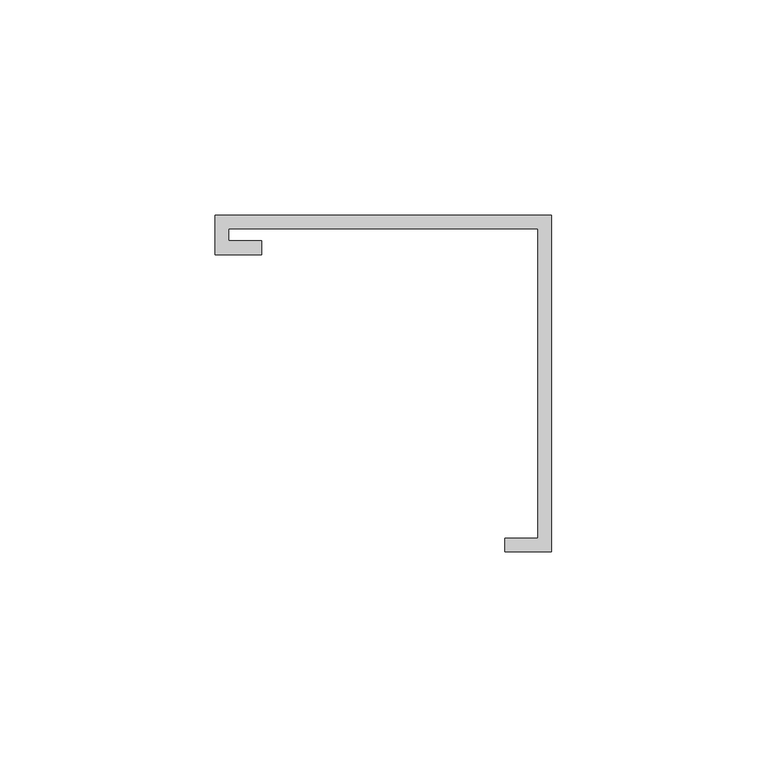
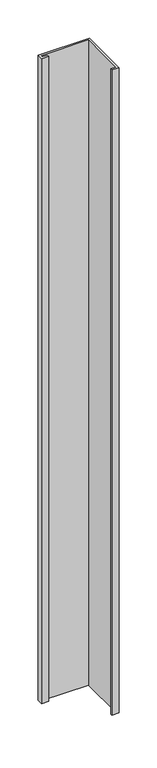
"""IFC4 building model written with IfcOpenShell, lengths in millimetres: furniture geometry."""

from ifc_helpers import new_model, si_unit, frame, origin, place, context, project, spatial, polyline, outline, extrude, source, transform, mapped, element, save


def furniture_40434864(model_context):
    return source(origin(), model_context, "Body", "SweptSolid", [
        extrude(outline(polyline([(-39.0921875, 29.9735875), (-39.0921875, 39.0921875), (39.0921875, 39.0921875), (39.0921875, -39.0921875), (28.2971875, -39.0921875), (28.2971875, -35.9171875), (35.9171875, -35.9171875), (35.9171875, 35.9171875), (-35.9171875, 35.9171875), (-35.9171875, 33.1485875), (-28.2971875, 33.1485875), (-28.2971875, 29.9735875), (-39.0921875, 29.9735875)])), frame((0.0, 0.0, 877.8875), z_axis=(0.0, 0.0, 1.0), x_axis=(1.0, 0.0, 0.0)), (0.0, 0.0, 1.0), 1034.4546875),
    ])


if __name__ == "__main__":
    model = new_model("IFC4")
    model_context = context("Model", 3, world=origin())
    ifc_project = project(units=[si_unit("LENGTHUNIT", "METRE", prefix="MILLI")], contexts=[model_context])
    site = spatial("IfcSite", under=ifc_project)
    building = spatial("IfcBuilding", under=site)
    placement = place(None, origin())
    furniture_shape = furniture_40434864(model_context)
    element("IfcFurniture", 1, at=placement, inside=building, context=model_context, shape_type="MappedRepresentation", body=[
        mapped(furniture_shape, transform((0.0, 0.0, 0.0), x_axis=(1.0, 0.0, 0.0), y_axis=(0.0, 1.0, 0.0), z_axis=(0.0, 0.0, 1.0))),
    ])
    save(model, "model.ifc")
